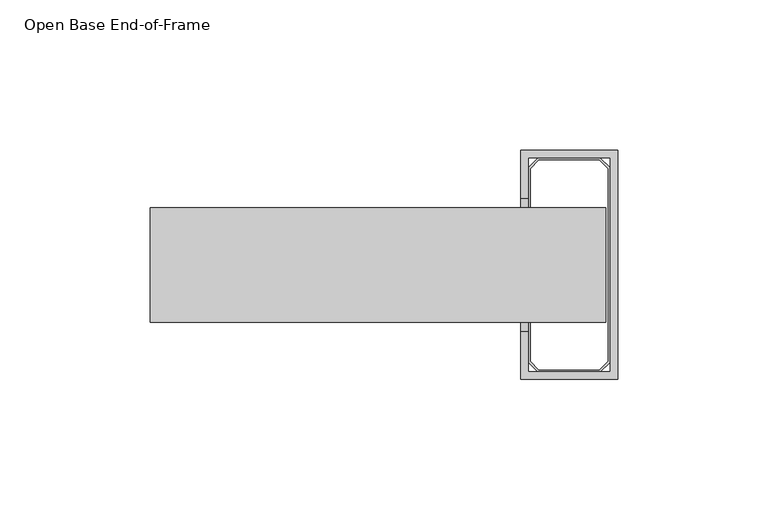
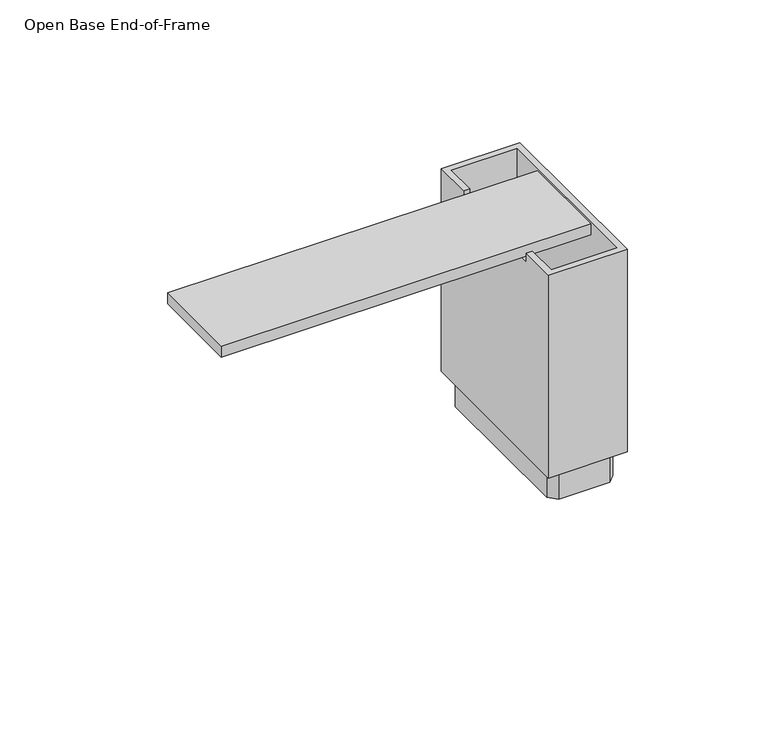
"""IFC4 building model written with IfcOpenShell, lengths in millimetres: furniture geometry, Open Base End-of-Frame."""

from ifc_helpers import new_model, si_unit, frame, origin, origin_with_axes, place, context, project, spatial, polyline, outline, extrude, faceted_brep, source, transform, mapped, element, save


def open_base_end_of_frame_145714ff(model_context):
    return source(origin(), model_context, "Body", "SolidModel", [
        extrude(outline(polyline([(-5.9221965, -20.2520587), (-5.9221965, -58.3520587), (-157.4458963, -58.3520587), (-157.4458963, -20.2520587), (-5.9221965, -20.2520587)])), frame((0.0, 0.0, 96.5962), z_axis=(0.0, 0.0, 1.0), x_axis=(1.0, 0.0, 0.0)), (0.0, 0.0, 1.0), 4.7498),
        faceted_brep([(-2.0486963, -1.2020587, 100.5586), (-34.3066963, -1.2020587, 100.5586), (-34.3066963, -17.0770587, 100.5586), (-31.7666963, -17.0770587, 100.5586), (-31.7666963, -3.7420587, 100.5586), (-4.5886963, -3.7420587, 100.5586), (-4.5886963, -74.8620587, 100.5586), (-31.7666963, -74.8620587, 100.5586), (-31.7666963, -61.5270587, 100.5586), (-34.3066963, -61.5270587, 100.5586), (-34.3066963, -77.4020587, 100.5586), (-2.0486963, -77.4020587, 100.5586), (-2.0486963, -1.2020587, 12.7), (-2.0486963, -77.4020587, 12.7), (-34.3066963, -77.4020587, 12.7), (-34.3066963, -1.2020587, 12.7), (-4.5886963, -3.7420587, 12.7), (-31.7666963, -3.7420587, 12.7), (-31.7666963, -74.8620587, 12.7), (-4.5886963, -74.8620587, 12.7), (-34.3066963, -61.5270587, 96.5962), (-34.3066963, -17.0770587, 96.5962), (-31.7666963, -17.0770587, 96.5962), (-31.7666963, -61.5270587, 96.5962)], [[[0, 1, 2, 3, 4, 5, 6, 7, 8, 9, 10, 11]], [[12, 13, 14, 15], [16, 17, 18, 19]], [[1, 0, 12, 15]], [[15, 14, 10, 9, 20, 21, 2, 1]], [[11, 10, 14, 13]], [[0, 11, 13, 12]], [[6, 5, 16, 19]], [[7, 6, 19, 18]], [[18, 17, 4, 3, 22, 23, 8, 7]], [[5, 4, 17, 16]], [[22, 21, 20, 23]], [[21, 22, 3, 2]], [[23, 20, 9, 8]]]),
        extrude(outline(polyline([(-7.7636963, -3.7420587), (-4.5886963, -6.9170587), (-4.5886963, -71.6870587), (-7.7636963, -74.8620587), (-28.5916963, -74.8620587), (-31.7666963, -71.6870587), (-31.7666963, -6.9170587), (-28.5916963, -3.7420587), (-7.7636963, -3.7420587)]), holes=[polyline([(-5.3824463, -7.2458408), (-8.0924783, -4.5358087), (-28.2629142, -4.5358087), (-30.9729463, -7.2458408), (-30.9729463, -71.3582767), (-28.2629142, -74.0683087), (-8.0924783, -74.0683087), (-5.3824463, -71.3582767), (-5.3824463, -7.2458408)])]), origin_with_axes(), (0.0, 0.0, 1.0), 12.7),
    ])


if __name__ == "__main__":
    model = new_model("IFC4")
    model_context = context("Model", 3, world=origin())
    ifc_project = project(units=[si_unit("LENGTHUNIT", "METRE", prefix="MILLI")], contexts=[model_context])
    site = spatial("IfcSite", under=ifc_project)
    building = spatial("IfcBuilding", under=site)
    placement = place(None, origin())
    open_base_end_of_frame_shape = open_base_end_of_frame_145714ff(model_context)
    element("IfcFurniture", 1, ObjectType="Open Base End-of-Frame", at=placement, inside=building, context=model_context, shape_type="MappedRepresentation", body=[
        mapped(open_base_end_of_frame_shape, transform((0.0, 0.0, 0.0), x_axis=(1.0, 0.0, 0.0), y_axis=(0.0, 1.0, 0.0), z_axis=(0.0, 0.0, 1.0))),
    ])
    save(model, "model.ifc")
